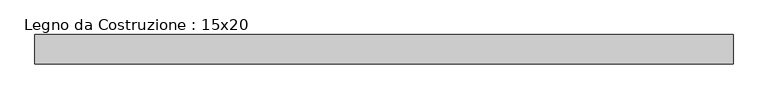
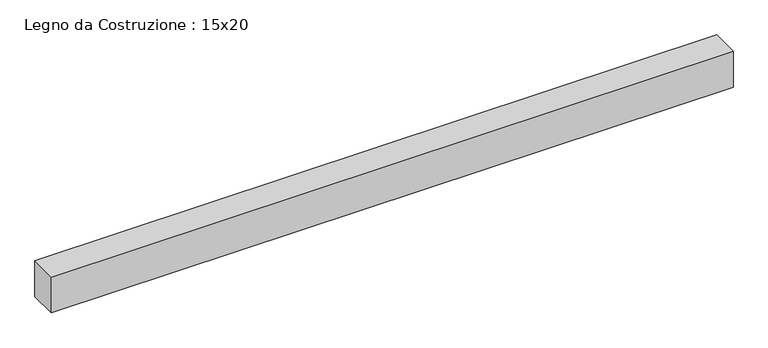
"""IFC4 building model written with IfcOpenShell, lengths in millimetres: beam geometry, Legno da Costruzione : 15x20."""

from ifc_helpers import new_model, si_unit, frame, origin, place, context, project, spatial, polyline, outline, extrude, source, transform, mapped, element, save


def legno_da_costruzione_15x20_240b8704(model_context):
    return source(origin(), model_context, "Body", "SweptSolid", [
        extrude(outline(polyline([(1887.0, 75.0), (1887.0, -75.0), (-1698.0, -75.0), (-1698.0, 75.0), (1887.0, 75.0)])), frame((0.0, 0.0, -100.0), z_axis=(0.0, 0.0, 1.0), x_axis=(1.0, 0.0, 0.0)), (0.0, 0.0, 1.0), 200.0),
    ])


if __name__ == "__main__":
    model = new_model("IFC4")
    model_context = context("Model", 3, world=origin())
    ifc_project = project(units=[si_unit("LENGTHUNIT", "METRE", prefix="MILLI")], contexts=[model_context])
    site = spatial("IfcSite", under=ifc_project)
    building = spatial("IfcBuilding", under=site)
    placement = place(None, origin())
    legno_da_costruzione_15x20_shape = legno_da_costruzione_15x20_240b8704(model_context)
    element("IfcBeam", 1, ObjectType="Legno da Costruzione : 15x20", at=placement, inside=building, context=model_context, shape_type="MappedRepresentation", body=[
        mapped(legno_da_costruzione_15x20_shape, transform((0.0, 0.0, 0.0), x_axis=(1.0, 0.0, 0.0), y_axis=(0.0, 1.0, 0.0), z_axis=(0.0, 0.0, 1.0))),
    ])
    save(model, "model.ifc")
